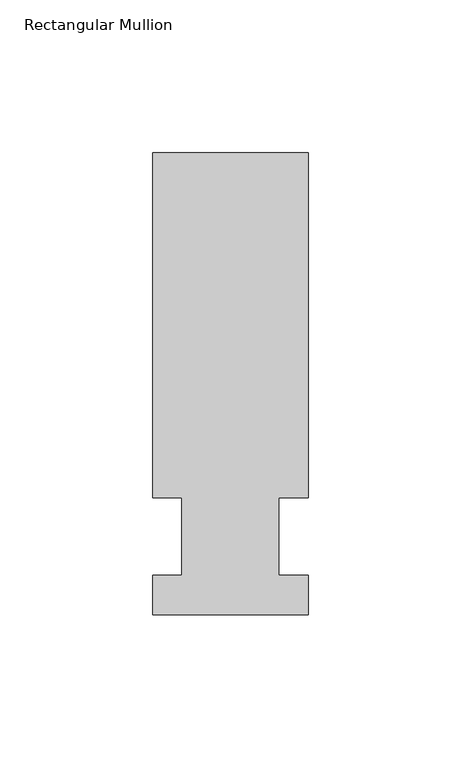
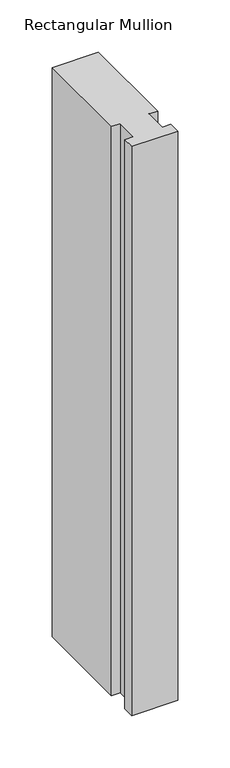
"""IFC4 building model written with IfcOpenShell, lengths in millimetres: member geometry, Rectangular Mullion."""

from ifc_helpers import new_model, si_unit, frame, origin, place, context, project, spatial, polyline, outline, extrude, source, transform, mapped, element, save


def rectangular_mullion_0f37e0ab(model_context):
    return source(origin(), model_context, "Body", "SweptSolid", [
        extrude(outline(polyline([(-25.4, -25.58415), (-25.4, -12.7), (-15.875, -12.7), (-15.875, 12.7), (-25.4, 12.7), (-25.4, 125.59665), (25.4, 125.59665), (25.4, 12.7), (15.875, 12.7), (15.875, -12.7), (25.4, -12.7), (25.4, -25.58415), (-25.4, -25.58415)])), frame((0.0, 0.0, -663.575), z_axis=(0.0, 0.0, 1.0), x_axis=(1.0, 0.0, 0.0)), (0.0, 0.0, 1.0), 663.575),
    ])


if __name__ == "__main__":
    model = new_model("IFC4")
    model_context = context("Model", 3, world=origin())
    ifc_project = project(units=[si_unit("LENGTHUNIT", "METRE", prefix="MILLI")], contexts=[model_context])
    site = spatial("IfcSite", under=ifc_project)
    building = spatial("IfcBuilding", under=site)
    placement = place(None, origin())
    rectangular_mullion_shape = rectangular_mullion_0f37e0ab(model_context)
    element("IfcMember", 1, ObjectType="Rectangular Mullion", at=placement, inside=building, context=model_context, shape_type="MappedRepresentation", body=[
        mapped(rectangular_mullion_shape, transform((0.0, 0.0, 0.0), x_axis=(1.0, 0.0, 0.0), y_axis=(0.0, 1.0, 0.0), z_axis=(0.0, 0.0, 1.0))),
    ])
    save(model, "model.ifc")
